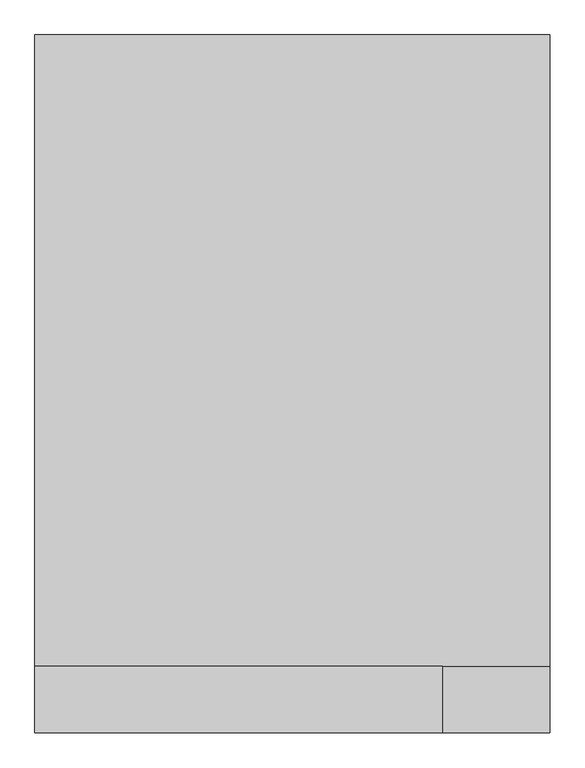
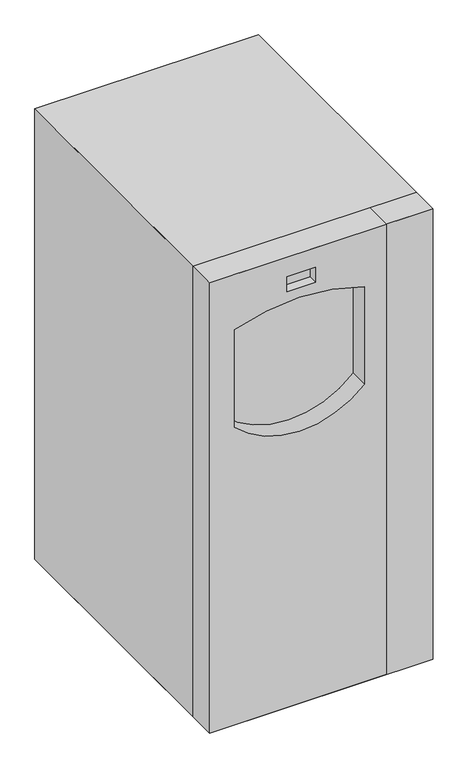
"""IFC4 building model written with IfcOpenShell, lengths in millimetres: proxy geometry."""

from ifc_helpers import new_model, si_unit, frame, origin, origin_with_axes, place, context, project, spatial, polyline, circle_curve, outline, extrude, source, transform, mapped, element, save
from ifc_brep_helpers import plane_surface, revolved_surface, advanced_brep


def specialty_equipment_7099bce3(model_context):
    return source(origin(), model_context, "Body", "SolidModel", [
        advanced_brep(
        [(229.5743966, -431.8, 1676.4012467), (229.5743966, -533.4, 1676.4012467), (229.5743966, -533.4, 0.0), (229.5743966, -431.8, 0.0), (-393.7, -431.8, 1676.4012467), (-393.7, -431.8, 0.0), (-393.7, -533.4, 0.0), (-393.7, -533.4, 1676.4012467), (151.5205652, -533.4, 1108.3853663), (-305.6794348, -533.4, 1108.3853663), (-305.6794348, -533.4, 1470.3353663), (151.5205652, -533.4, 1470.3353663), (-121.8382931, -533.4, 1547.7834423), (-121.8382931, -533.4, 1603.7641382), (-20.2382931, -533.4, 1603.7641382), (-20.2382931, -533.4, 1547.7834423), (151.5205652, -464.9499578, 1108.3853663), (151.5205652, -464.9499578, 1470.3353663), (-305.6794348, -464.9499578, 1470.3353663), (-305.6794348, -464.9499578, 1108.3853663), (-121.8382931, -499.9875211, 1547.7834423), (-20.2382931, -499.9875211, 1547.7834423), (-20.2382931, -499.9875211, 1603.7641382), (-121.8382931, -499.9875211, 1603.7641382)],
        [
            (0, 1),
            (1, 2),
            (2, 3),
            (3, 0),
            (4, 5),
            (5, 6),
            (6, 7),
            (7, 4),
            (0, 4),
            (7, 1),
            (6, 2),
            (8, 9, circle_curve(frame((-77.0794348, -533.4, 1335.0803663), z_axis=(0.0, 1.0, 0.0), x_axis=(0.0, 0.0, -1.0)), 321.945)),
            (9, 10),
            (10, 11, circle_curve(frame((-77.0794348, -533.4, 853.1137663), z_axis=(0.0, 1.0, 0.0), x_axis=(0.0, 0.0, -1.0)), 658.1948522)),
            (11, 8),
            (12, 13),
            (13, 14),
            (14, 15),
            (15, 12),
            (5, 3),
            (16, 17),
            (17, 18, circle_curve(frame((-77.0794348, -464.9499578, 853.1137663), z_axis=(0.0, -1.0, 0.0), x_axis=(0.0, 0.0, -1.0)), 658.1948522)),
            (18, 19),
            (19, 16, circle_curve(frame((-77.0794348, -464.9499578, 1335.0803663), z_axis=(0.0, -1.0, 0.0), x_axis=(0.0, 0.0, -1.0)), 321.945)),
            (19, 9),
            (8, 16),
            (18, 10),
            (17, 11),
            (20, 21),
            (21, 22),
            (22, 23),
            (23, 20),
            (23, 13),
            (12, 20),
            (22, 14),
            (21, 15),
        ],
        [
            plane_surface(frame((229.5743966, -1498.6, 1676.4012467), z_axis=(1.0, 0.0, 0.0), x_axis=(0.0, -1.0, 0.0))),
            plane_surface(frame((-393.7, -1498.6, 1676.4012467), z_axis=(-1.0, 0.0, 0.0), x_axis=(0.0, 1.0, 0.0))),
            plane_surface(frame((229.5743966, -431.8, 1676.4012467), z_axis=(0.0, 0.0, 1.0), x_axis=(-1.0, 0.0, 0.0))),
            plane_surface(frame((229.5743966, -533.4, 1676.4012467), z_axis=(0.0, -1.0, 0.0), x_axis=(-1.0, 0.0, 0.0))),
            plane_surface(frame((229.5743966, -533.4, 0.0), z_axis=(0.0, 0.0, -1.0), x_axis=(-1.0, 0.0, 0.0))),
            plane_surface(frame((229.5743966, -431.8, 0.0), z_axis=(0.0, 1.0, 0.0), x_axis=(-1.0, 0.0, 0.0))),
            plane_surface(frame((-77.0794348, -464.9499578, 1013.1353663), z_axis=(0.0, -1.0, 0.0), x_axis=(-1.0, 0.0, 0.0))),
            revolved_surface(polyline([(-77.0794348, -464.9499578, 1013.1353663), (-77.0794348, -533.4, 1013.1353663)]), (-77.0794348, -533.4, 1335.0803663), (0.0, 1.0, 0.0)),
            plane_surface(frame((-305.6794348, -464.9499578, 1108.3853663), z_axis=(1.0, 0.0, 0.0), x_axis=(0.0, -1.0, 0.0))),
            revolved_surface(polyline([(-77.0794348, -464.9499578, 194.91891409999994), (-77.0794348, -533.4, 194.91891409999994)]), (-77.0794348, -533.4, 853.1137663), (0.0, 1.0, 0.0)),
            plane_surface(frame((151.5205652, -464.9499578, 1470.3353663), z_axis=(-1.0, 0.0, 0.0), x_axis=(0.0, -1.0, 0.0))),
            plane_surface(frame((-121.8382931, -499.9875211, 1623.9834423), z_axis=(0.0, -1.0, 0.0), x_axis=(0.0, 0.0, 1.0))),
            plane_surface(frame((-121.8382931, -499.9875211, 1547.7834423), z_axis=(1.0, 0.0, 0.0), x_axis=(0.0, -1.0, 0.0))),
            plane_surface(frame((-121.8382931, -499.9875211, 1603.7641382), z_axis=(0.0, 0.0, -1.0), x_axis=(0.0, -1.0, 0.0))),
            plane_surface(frame((-20.2382931, -499.9875211, 1603.7641382), z_axis=(-1.0, 0.0, 0.0), x_axis=(0.0, -1.0, 0.0))),
            plane_surface(frame((-20.2382931, -499.9875211, 1547.7834423), z_axis=(0.0, 0.0, 1.0), x_axis=(0.0, -1.0, 0.0))),
        ],
        [
            (0, [[1, 2, 3, 4]]),
            (1, [[5, 6, 7, 8]]),
            (2, [[-1, 9, -8, 10]]),
            (3, [[-2, -10, -7, 11], [12, 13, 14, 15], [16, 17, 18, 19]]),
            (4, [[-3, -11, -6, 20]]),
            (5, [[-4, -20, -5, -9]]),
            (6, [[21, 22, 23, 24]]),
            (7, [[-24, 25, -12, 26]]),
            (8, [[-23, 27, -13, -25]]),
            (9, [[-22, 28, -14, -27]]),
            (10, [[-21, -26, -15, -28]]),
            (11, [[29, 30, 31, 32]]),
            (12, [[-32, 33, -16, 34]]),
            (13, [[-31, 35, -17, -33]]),
            (14, [[-30, 36, -18, -35]]),
            (15, [[-29, -34, -19, -36]]),
        ],
    ),
        extrude(outline(polyline([(393.7, 533.4), (393.7, -431.8), (-393.7, -431.8), (-393.7, 533.4), (393.7, 533.4)])), origin_with_axes(), (0.0, 0.0, 1.0), 1676.4),
        advanced_brep(
        [(-393.7, 533.4, 1676.4), (-393.7, 0.0, 1676.4), (-393.7, -533.4, 1676.4), (393.7, -533.4, 1676.4), (393.7, 533.4, 1676.4), (-393.7, 533.4, 0.0), (393.7, 533.4, 0.0), (393.7, -533.4, 0.0), (-393.7, -533.4, 0.0), (-393.7, 0.0, 0.0), (151.5205652, -533.4, 1108.3853663), (-305.6794348, -533.4, 1108.3853663), (-305.6794348, -533.4, 1470.3353663), (151.5205652, -533.4, 1470.3353663), (-121.8382931, -533.4, 1547.7834423), (-121.8382931, -533.4, 1603.7641382), (-20.2382931, -533.4, 1603.7641382), (-20.2382931, -533.4, 1547.7834423), (151.5205652, -464.9499578, 1108.3853663), (151.5205652, -464.9499578, 1470.3353663), (-305.6794348, -464.9499578, 1470.3353663), (-305.6794348, -464.9499578, 1108.3853663), (-121.8382931, -499.9875211, 1547.7834423), (-20.2382931, -499.9875211, 1547.7834423), (-20.2382931, -499.9875211, 1603.7641382), (-121.8382931, -499.9875211, 1603.7641382)],
        [
            (0, 1),
            (1, 2),
            (2, 3),
            (3, 4),
            (4, 0),
            (5, 6),
            (6, 7),
            (7, 8),
            (8, 9),
            (9, 5),
            (0, 5),
            (9, 1),
            (8, 2),
            (7, 3),
            (10, 11, circle_curve(frame((-77.0794348, -533.4, 1335.0803663), z_axis=(0.0, 1.0, 0.0), x_axis=(0.0, 0.0, -1.0)), 321.945)),
            (11, 12),
            (12, 13, circle_curve(frame((-77.0794348, -533.4, 853.1137663), z_axis=(0.0, 1.0, 0.0), x_axis=(0.0, 0.0, -1.0)), 658.1948522)),
            (13, 10),
            (14, 15),
            (15, 16),
            (16, 17),
            (17, 14),
            (6, 4),
            (18, 19),
            (19, 20, circle_curve(frame((-77.0794348, -464.9499578, 853.1137663), z_axis=(0.0, -1.0, 0.0), x_axis=(0.0, 0.0, -1.0)), 658.1948522)),
            (20, 21),
            (21, 18, circle_curve(frame((-77.0794348, -464.9499578, 1335.0803663), z_axis=(0.0, -1.0, 0.0), x_axis=(0.0, 0.0, -1.0)), 321.945)),
            (21, 11),
            (10, 18),
            (20, 12),
            (19, 13),
            (22, 23),
            (23, 24),
            (24, 25),
            (25, 22),
            (25, 15),
            (14, 22),
            (24, 16),
            (23, 17),
        ],
        [
            plane_surface(frame((-393.7, 0.0, 1676.4), z_axis=(0.0, 0.0, 1.0), x_axis=(0.0, -1.0, 0.0))),
            plane_surface(frame((-393.7, 0.0, 0.0), z_axis=(0.0, 0.0, -1.0), x_axis=(0.0, 1.0, 0.0))),
            plane_surface(frame((-393.7, 533.4, 1676.4), z_axis=(-1.0, 0.0, 0.0), x_axis=(0.0, 0.0, -1.0))),
            plane_surface(frame((-393.7, 0.0, 1676.4), z_axis=(-1.0, 0.0, 0.0), x_axis=(0.0, 0.0, -1.0))),
            plane_surface(frame((-393.7, -533.4, 1676.4), z_axis=(0.0, -1.0, 0.0), x_axis=(0.0, 0.0, -1.0))),
            plane_surface(frame((393.7, -533.4, 1676.4), z_axis=(1.0, 0.0, 0.0), x_axis=(0.0, 0.0, -1.0))),
            plane_surface(frame((393.7, 533.4, 1676.4), z_axis=(0.0, 1.0, 0.0), x_axis=(0.0, 0.0, -1.0))),
            plane_surface(frame((-77.0794348, -464.9499578, 1013.1353663), z_axis=(0.0, -1.0, 0.0), x_axis=(-1.0, 0.0, 0.0))),
            revolved_surface(polyline([(-77.0794348, -464.9499578, 1013.1353663), (-77.0794348, -533.4, 1013.1353663)]), (-77.0794348, -533.4, 1335.0803663), (0.0, 1.0, 0.0)),
            plane_surface(frame((-305.6794348, -464.9499578, 1108.3853663), z_axis=(1.0, 0.0, 0.0), x_axis=(0.0, -1.0, 0.0))),
            revolved_surface(polyline([(-77.0794348, -464.9499578, 194.91891409999994), (-77.0794348, -533.4, 194.91891409999994)]), (-77.0794348, -533.4, 853.1137663), (0.0, 1.0, 0.0)),
            plane_surface(frame((151.5205652, -464.9499578, 1470.3353663), z_axis=(-1.0, 0.0, 0.0), x_axis=(0.0, -1.0, 0.0))),
            plane_surface(frame((-121.8382931, -499.9875211, 1623.9834423), z_axis=(0.0, -1.0, 0.0), x_axis=(0.0, 0.0, 1.0))),
            plane_surface(frame((-121.8382931, -499.9875211, 1547.7834423), z_axis=(1.0, 0.0, 0.0), x_axis=(0.0, -1.0, 0.0))),
            plane_surface(frame((-121.8382931, -499.9875211, 1603.7641382), z_axis=(0.0, 0.0, -1.0), x_axis=(0.0, -1.0, 0.0))),
            plane_surface(frame((-20.2382931, -499.9875211, 1603.7641382), z_axis=(-1.0, 0.0, 0.0), x_axis=(0.0, -1.0, 0.0))),
            plane_surface(frame((-20.2382931, -499.9875211, 1547.7834423), z_axis=(0.0, 0.0, 1.0), x_axis=(0.0, -1.0, 0.0))),
        ],
        [
            (0, [[1, 2, 3, 4, 5]]),
            (1, [[6, 7, 8, 9, 10]]),
            (2, [[-1, 11, -10, 12]]),
            (3, [[-2, -12, -9, 13]]),
            (4, [[-3, -13, -8, 14], [15, 16, 17, 18], [19, 20, 21, 22]]),
            (5, [[-4, -14, -7, 23]]),
            (6, [[-5, -23, -6, -11]]),
            (7, [[24, 25, 26, 27]]),
            (8, [[-27, 28, -15, 29]]),
            (9, [[-26, 30, -16, -28]]),
            (10, [[-25, 31, -17, -30]]),
            (11, [[-24, -29, -18, -31]]),
            (12, [[32, 33, 34, 35]]),
            (13, [[-35, 36, -19, 37]]),
            (14, [[-34, 38, -20, -36]]),
            (15, [[-33, 39, -21, -38]]),
            (16, [[-32, -37, -22, -39]]),
        ],
    ),
        extrude(outline(polyline([(393.7, -431.8), (393.7, -533.4), (233.2010803, -533.4), (233.2010803, -431.8), (393.7, -431.8)])), origin_with_axes(), (0.0, 0.0, 1.0), 829.6614237),
        extrude(outline(polyline([(393.7, -431.8), (393.7, -533.4), (233.2010803, -533.4), (233.2010803, -431.8), (393.7, -431.8)])), frame((0.0, 0.0, 832.6563744), z_axis=(0.0, 0.0, 1.0), x_axis=(1.0, 0.0, 0.0)), (0.0, 0.0, 1.0), 334.8565126),
        extrude(outline(polyline([(393.7, -431.8), (393.7, -533.4), (233.2010803, -533.4), (233.2010803, -431.8), (393.7, -431.8)])), frame((0.0, 0.0, 1170.865525), z_axis=(0.0, 0.0, 1.0), x_axis=(1.0, 0.0, 0.0)), (0.0, 0.0, 1.0), 505.534475),
    ])


if __name__ == "__main__":
    model = new_model("IFC4")
    model_context = context("Model", 3, world=origin())
    ifc_project = project(units=[si_unit("LENGTHUNIT", "METRE", prefix="MILLI")], contexts=[model_context])
    site = spatial("IfcSite", under=ifc_project)
    building = spatial("IfcBuilding", under=site)
    placement = place(None, origin())
    specialty_equipment_shape = specialty_equipment_7099bce3(model_context)
    element("IfcBuildingElementProxy", 1, Name="Specialty Equipment", at=placement, inside=building, context=model_context, shape_type="MappedRepresentation", body=[
        mapped(specialty_equipment_shape, transform((0.0, 0.0, 0.0), x_axis=(1.0, 0.0, 0.0), y_axis=(0.0, 1.0, 0.0), z_axis=(0.0, 0.0, 1.0))),
    ])
    save(model, "model.ifc")
